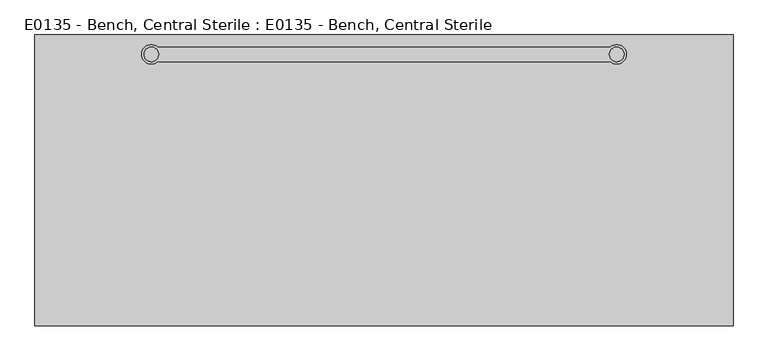
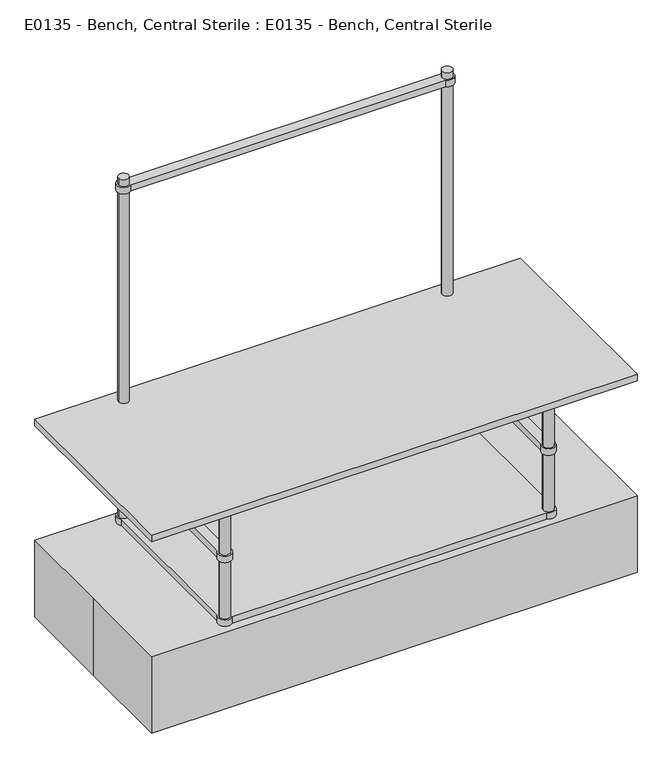
"""IFC4 building model written with IfcOpenShell, lengths in millimetres: proxy geometry, E0135 - Bench, Central Sterile : E0135 - Bench, Central Sterile."""

from ifc_helpers import new_model, si_unit, point, frame, frame_2d, origin, origin_with_axes, place, context, project, spatial, polyline, circle_curve, trimmed, segment, composite_curve, outline, extrude, source, transform, mapped, element, save


def e0135_bench_central_sterile_e0135_bench_central_sterile_55146e98(model_context):
    return source(origin(), model_context, "Body", "SweptSolid", [
        extrude(outline(composite_curve([segment(polyline([(-592.7994792, 349.25), (592.7994792, 349.25)]), True, "CONTINUOUS"), segment(trimmed(circle_curve(frame_2d((609.6, 330.2)), 25.4), [point((592.7994792, 349.25))], [point((592.7994792, 311.15))], False, "CARTESIAN"), True, "CONTINUOUS"), segment(polyline([(592.7994792, 311.15), (-592.7994792, 311.15)]), True, "CONTINUOUS"), segment(trimmed(circle_curve(frame_2d((-609.6, 330.2)), 25.4), [point((-592.7994792, 311.15))], [point((-592.7994792, 349.25))], False, "CARTESIAN"), True, "CONTINUOUS")], self_intersect=False), holes=[composite_curve([segment(trimmed(circle_curve(frame_2d((-609.6, 330.2)), 19.05), [point((-628.65, 330.2))], [point((-590.55, 330.2))], True, "CARTESIAN"), True, "CONTINUOUS"), segment(trimmed(circle_curve(frame_2d((-609.6, 330.2)), 19.05), [point((-590.55, 330.2))], [point((-628.65, 330.2))], True, "CARTESIAN"), True, "CONTINUOUS")], self_intersect=False), composite_curve([segment(trimmed(circle_curve(frame_2d((609.6, 330.2)), 19.05), [point((590.55, 330.2))], [point((628.65, 330.2))], True, "CARTESIAN"), True, "CONTINUOUS"), segment(trimmed(circle_curve(frame_2d((609.6, 330.2)), 19.05), [point((628.65, 330.2))], [point((590.55, 330.2))], True, "CARTESIAN"), True, "CONTINUOUS")], self_intersect=False)]), frame((0.0, 0.0, 1625.6), z_axis=(0.0, 0.0, 1.0), x_axis=(1.0, 0.0, 0.0)), (0.0, 0.0, 1.0), 25.4),
        extrude(outline(composite_curve([segment(trimmed(circle_curve(frame_2d((-609.6, -330.2)), 25.4), [point((-592.7994792, -349.25))], [point((-628.65, -313.3994792))], False, "CARTESIAN"), True, "CONTINUOUS"), segment(polyline([(-628.65, -313.3994792), (-628.65, 313.3994792)]), True, "CONTINUOUS"), segment(trimmed(circle_curve(frame_2d((-609.6, 330.2)), 25.4), [point((-628.65, 313.3994792))], [point((-592.7994792, 349.25))], False, "CARTESIAN"), True, "CONTINUOUS"), segment(polyline([(-592.7994792, 349.25), (592.7994792, 349.25)]), True, "CONTINUOUS"), segment(trimmed(circle_curve(frame_2d((609.6, 330.2)), 25.4), [point((592.7994792, 349.25))], [point((628.65, 313.3994792))], False, "CARTESIAN"), True, "CONTINUOUS"), segment(polyline([(628.65, 313.3994792), (628.65, -313.3994792)]), True, "CONTINUOUS"), segment(trimmed(circle_curve(frame_2d((609.6, -330.2)), 25.4), [point((628.65, -313.3994792))], [point((592.7994792, -349.25))], False, "CARTESIAN"), True, "CONTINUOUS"), segment(polyline([(592.7994792, -349.25), (-592.7994792, -349.25)]), True, "CONTINUOUS")], self_intersect=False), holes=[composite_curve([segment(trimmed(circle_curve(frame_2d((-609.6, -330.2)), 19.05), [point((-628.65, -330.2))], [point((-590.55, -330.2))], True, "CARTESIAN"), True, "CONTINUOUS"), segment(trimmed(circle_curve(frame_2d((-609.6, -330.2)), 19.05), [point((-590.55, -330.2))], [point((-628.65, -330.2))], True, "CARTESIAN"), True, "CONTINUOUS")], self_intersect=False), composite_curve([segment(trimmed(circle_curve(frame_2d((-609.6, 330.2)), 19.05), [point((-628.65, 330.2))], [point((-590.55, 330.2))], True, "CARTESIAN"), True, "CONTINUOUS"), segment(trimmed(circle_curve(frame_2d((-609.6, 330.2)), 19.05), [point((-590.55, 330.2))], [point((-628.65, 330.2))], True, "CARTESIAN"), True, "CONTINUOUS")], self_intersect=False), composite_curve([segment(trimmed(circle_curve(frame_2d((609.6, -330.2)), 19.05), [point((590.55, -330.2))], [point((628.65, -330.2))], True, "CARTESIAN"), True, "CONTINUOUS"), segment(trimmed(circle_curve(frame_2d((609.6, -330.2)), 19.05), [point((628.65, -330.2))], [point((590.55, -330.2))], True, "CARTESIAN"), True, "CONTINUOUS")], self_intersect=False), composite_curve([segment(trimmed(circle_curve(frame_2d((609.6, 330.2)), 19.05), [point((590.55, 330.2))], [point((628.65, 330.2))], True, "CARTESIAN"), True, "CONTINUOUS"), segment(trimmed(circle_curve(frame_2d((609.6, 330.2)), 19.05), [point((628.65, 330.2))], [point((590.55, 330.2))], True, "CARTESIAN"), True, "CONTINUOUS")], self_intersect=False)]), frame((0.0, 0.0, 304.8), z_axis=(0.0, 0.0, 1.0), x_axis=(1.0, 0.0, 0.0)), (0.0, 0.0, 1.0), 25.4),
        extrude(outline(composite_curve([segment(trimmed(circle_curve(frame_2d((-609.6, -330.2)), 25.4), [point((-590.55, -313.3994792))], [point((-628.65, -313.3994792))], False, "CARTESIAN"), True, "CONTINUOUS"), segment(polyline([(-628.65, -313.3994792), (-628.65, 313.3994792)]), True, "CONTINUOUS"), segment(trimmed(circle_curve(frame_2d((-609.6, 330.2)), 25.4), [point((-628.65, 313.3994792))], [point((-592.7994792, 349.25))], False, "CARTESIAN"), True, "CONTINUOUS"), segment(polyline([(-592.7994792, 349.25), (592.7994792, 349.25)]), True, "CONTINUOUS"), segment(trimmed(circle_curve(frame_2d((609.6, 330.2)), 25.4), [point((592.7994792, 349.25))], [point((628.65, 313.3994792))], False, "CARTESIAN"), True, "CONTINUOUS"), segment(polyline([(628.65, 313.3994792), (628.65, -313.3994792)]), True, "CONTINUOUS"), segment(trimmed(circle_curve(frame_2d((609.6, -330.2)), 25.4), [point((628.65, -313.3994792))], [point((590.55, -313.3994792))], False, "CARTESIAN"), True, "CONTINUOUS"), segment(polyline([(590.55, -313.3994792), (590.55, 311.15), (-590.55, 311.15), (-590.55, -313.3994792)]), True, "CONTINUOUS")], self_intersect=False), holes=[composite_curve([segment(trimmed(circle_curve(frame_2d((-609.6, -330.2)), 19.05), [point((-628.65, -330.2))], [point((-590.55, -330.2))], True, "CARTESIAN"), True, "CONTINUOUS"), segment(trimmed(circle_curve(frame_2d((-609.6, -330.2)), 19.05), [point((-590.55, -330.2))], [point((-628.65, -330.2))], True, "CARTESIAN"), True, "CONTINUOUS")], self_intersect=False), composite_curve([segment(trimmed(circle_curve(frame_2d((-609.6, 330.2)), 19.05), [point((-628.65, 330.2))], [point((-590.55, 330.2))], True, "CARTESIAN"), True, "CONTINUOUS"), segment(trimmed(circle_curve(frame_2d((-609.6, 330.2)), 19.05), [point((-590.55, 330.2))], [point((-628.65, 330.2))], True, "CARTESIAN"), True, "CONTINUOUS")], self_intersect=False), composite_curve([segment(trimmed(circle_curve(frame_2d((609.6, -330.2)), 19.05), [point((590.55, -330.2))], [point((628.65, -330.2))], True, "CARTESIAN"), True, "CONTINUOUS"), segment(trimmed(circle_curve(frame_2d((609.6, -330.2)), 19.05), [point((628.65, -330.2))], [point((590.55, -330.2))], True, "CARTESIAN"), True, "CONTINUOUS")], self_intersect=False), composite_curve([segment(trimmed(circle_curve(frame_2d((609.6, 330.2)), 19.05), [point((590.55, 330.2))], [point((628.65, 330.2))], True, "CARTESIAN"), True, "CONTINUOUS"), segment(trimmed(circle_curve(frame_2d((609.6, 330.2)), 19.05), [point((628.65, 330.2))], [point((590.55, 330.2))], True, "CARTESIAN"), True, "CONTINUOUS")], self_intersect=False)]), frame((0.0, 0.0, 558.8), z_axis=(0.0, 0.0, 1.0), x_axis=(1.0, 0.0, 0.0)), (0.0, 0.0, 1.0), 25.4),
        extrude(outline(composite_curve([segment(trimmed(circle_curve(frame_2d((-609.6, -330.2)), 19.05), [point((-628.65, -330.2))], [point((-590.55, -330.2))], False, "CARTESIAN"), True, "CONTINUOUS"), segment(trimmed(circle_curve(frame_2d((-609.6, -330.2)), 19.05), [point((-590.55, -330.2))], [point((-628.65, -330.2))], False, "CARTESIAN"), True, "CONTINUOUS")], self_intersect=False)), origin_with_axes(), (0.0, 0.0, 1.0), 762.0),
        extrude(outline(composite_curve([segment(trimmed(circle_curve(frame_2d((609.6, -330.2)), 19.05), [point((590.55, -330.2))], [point((628.65, -330.2))], False, "CARTESIAN"), True, "CONTINUOUS"), segment(trimmed(circle_curve(frame_2d((609.6, -330.2)), 19.05), [point((628.65, -330.2))], [point((590.55, -330.2))], False, "CARTESIAN"), True, "CONTINUOUS")], self_intersect=False)), origin_with_axes(), (0.0, 0.0, 1.0), 762.0),
        extrude(outline(composite_curve([segment(trimmed(circle_curve(frame_2d((-609.6, 330.2)), 19.05), [point((-628.65, 330.2))], [point((-590.55, 330.2))], False, "CARTESIAN"), True, "CONTINUOUS"), segment(trimmed(circle_curve(frame_2d((-609.6, 330.2)), 19.05), [point((-590.55, 330.2))], [point((-628.65, 330.2))], False, "CARTESIAN"), True, "CONTINUOUS")], self_intersect=False)), origin_with_axes(), (0.0, 0.0, 1.0), 1676.4),
        extrude(outline(composite_curve([segment(trimmed(circle_curve(frame_2d((609.6, 330.2)), 19.05), [point((590.55, 330.2))], [point((628.65, 330.2))], False, "CARTESIAN"), True, "CONTINUOUS"), segment(trimmed(circle_curve(frame_2d((609.6, 330.2)), 19.05), [point((628.65, 330.2))], [point((590.55, 330.2))], False, "CARTESIAN"), True, "CONTINUOUS")], self_intersect=False)), origin_with_axes(), (0.0, 0.0, 1.0), 1676.4),
        extrude(outline(polyline([(914.4, 381.0), (914.4, -381.0), (-914.4, -381.0), (-914.4, 381.0), (914.4, 381.0)])), frame((0.0, 0.0, 762.0), z_axis=(0.0, 0.0, 1.0), x_axis=(1.0, 0.0, 0.0)), (0.0, 0.0, 1.0), 25.4),
        extrude(outline(polyline([(-914.4, 381.0), (914.4, 381.0), (914.4, -381.0), (-914.4, -381.0), (-914.4, 0.0), (-914.4, 381.0)])), origin_with_axes(), (0.0, 0.0, 1.0), 304.8),
    ])


if __name__ == "__main__":
    model = new_model("IFC4")
    model_context = context("Model", 3, world=origin())
    ifc_project = project(units=[si_unit("LENGTHUNIT", "METRE", prefix="MILLI")], contexts=[model_context])
    site = spatial("IfcSite", under=ifc_project)
    building = spatial("IfcBuilding", under=site)
    placement = place(None, origin())
    e0135_bench_central_sterile_e0135_bench_central_sterile_shape = e0135_bench_central_sterile_e0135_bench_central_sterile_55146e98(model_context)
    element("IfcBuildingElementProxy", 1, Name="E0135 - Bench, Central Sterile : E0135 - Bench, Central Sterile", ObjectType="E0135 - Bench, Central Sterile : E0135 - Bench, Central Sterile", at=placement, inside=building, context=model_context, shape_type="MappedRepresentation", body=[
        mapped(e0135_bench_central_sterile_e0135_bench_central_sterile_shape, transform((0.0, 0.0, 0.0), x_axis=(1.0, 0.0, 0.0), y_axis=(0.0, 1.0, 0.0), z_axis=(0.0, 0.0, 1.0))),
    ])
    save(model, "model.ifc")
